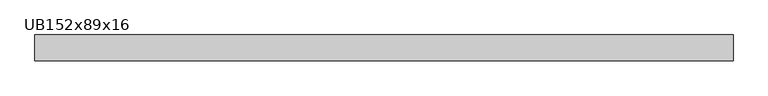
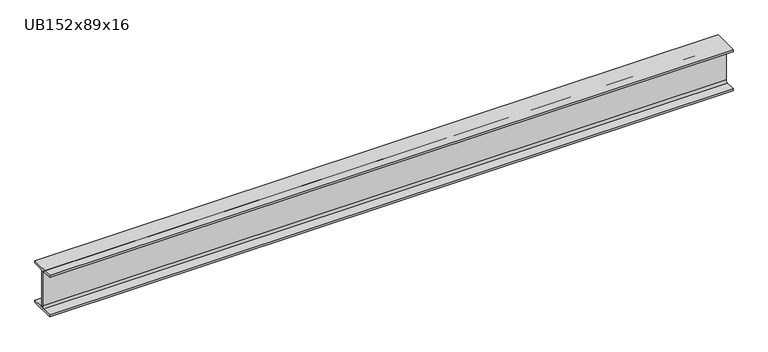
"""IFC4 building model written with IfcOpenShell, lengths in millimetres: beam geometry, UB152x89x16."""

from ifc_helpers import new_model, si_unit, point, frame, frame_2d, origin, place, context, project, spatial, polyline, circle_curve, trimmed, segment, composite_curve, outline, extrude, source, transform, mapped, element, save


def ub152x89x16_d00e6414(model_context):
    return source(origin(), model_context, "Body", "SweptSolid", [
        extrude(outline(composite_curve([segment(polyline([(44.35, -68.5), (44.35, -76.2), (-44.35, -76.2), (-44.35, -68.5), (-9.85, -68.5)]), True, "CONTINUOUS"), segment(trimmed(circle_curve(frame_2d((-9.85, -60.9)), 7.6), [point((-9.85, -68.5))], [point((-2.25, -60.9))], True, "CARTESIAN"), True, "CONTINUOUS"), segment(polyline([(-2.25, -60.9), (-2.25, 60.9)]), True, "CONTINUOUS"), segment(trimmed(circle_curve(frame_2d((-9.85, 60.9)), 7.6), [point((-2.25, 60.9))], [point((-9.85, 68.5))], True, "CARTESIAN"), True, "CONTINUOUS"), segment(polyline([(-9.85, 68.5), (-44.35, 68.5), (-44.35, 76.2), (44.35, 76.2), (44.35, 68.5), (9.85, 68.5)]), True, "CONTINUOUS"), segment(trimmed(circle_curve(frame_2d((9.85, 60.9)), 7.6), [point((9.85, 68.5))], [point((2.25, 60.9))], True, "CARTESIAN"), True, "CONTINUOUS"), segment(polyline([(2.25, 60.9), (2.25, -60.9)]), True, "CONTINUOUS"), segment(trimmed(circle_curve(frame_2d((9.85, -60.9)), 7.6), [point((2.25, -60.9))], [point((9.85, -68.5))], True, "CARTESIAN"), True, "CONTINUOUS"), segment(polyline([(9.85, -68.5), (44.35, -68.5)]), True, "CONTINUOUS")], self_intersect=False)), frame((-1187.3, 0.0, 0.0), z_axis=(1.0, 0.0, 0.0), x_axis=(0.0, 1.0, 0.0)), (0.0, 0.0, 1.0), 2381.5),
    ])


if __name__ == "__main__":
    model = new_model("IFC4")
    model_context = context("Model", 3, world=origin())
    ifc_project = project(units=[si_unit("LENGTHUNIT", "METRE", prefix="MILLI")], contexts=[model_context])
    site = spatial("IfcSite", under=ifc_project)
    building = spatial("IfcBuilding", under=site)
    placement = place(None, origin())
    ub152x89x16_shape = ub152x89x16_d00e6414(model_context)
    element("IfcBeam", 1, ObjectType="UB152x89x16", at=placement, inside=building, context=model_context, shape_type="MappedRepresentation", body=[
        mapped(ub152x89x16_shape, transform((0.0, 0.0, 0.0), x_axis=(1.0, 0.0, 0.0), y_axis=(0.0, 1.0, 0.0), z_axis=(0.0, 0.0, 1.0))),
    ])
    save(model, "model.ifc")
